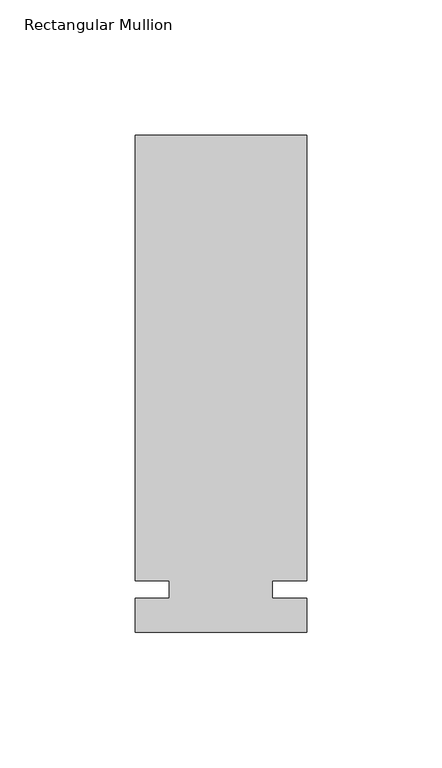
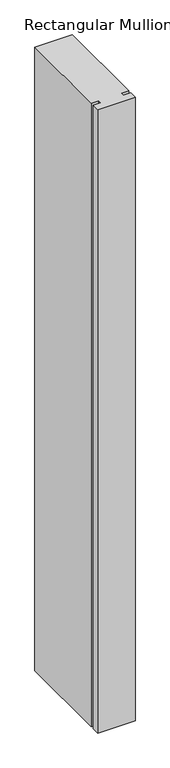
"""IFC4 building model written with IfcOpenShell, lengths in millimetres: member geometry, Rectangular Mullion."""

from ifc_helpers import new_model, si_unit, frame, origin, place, context, project, spatial, polyline, outline, extrude, source, transform, mapped, element, save


def rectangular_mullion_d01ddbaf(model_context):
    return source(origin(), model_context, "Body", "SweptSolid", [
        extrude(outline(polyline([(36.0844027, 168.275), (36.0844027, 3.175), (23.3826322, 3.175), (23.3826322, -3.175), (36.0844027, -3.175), (36.0844027, -15.875), (-27.4155973, -15.875), (-27.4155973, -3.175), (-14.7155973, -3.175), (-14.7155973, 3.175), (-27.4155973, 3.175), (-27.4155973, 168.275), (36.0844027, 168.275)])), frame((0.0, 0.0, -1117.6), z_axis=(0.0, 0.0, 1.0), x_axis=(1.0, 0.0, 0.0)), (0.0, 0.0, 1.0), 1117.6),
    ])


if __name__ == "__main__":
    model = new_model("IFC4")
    model_context = context("Model", 3, world=origin())
    ifc_project = project(units=[si_unit("LENGTHUNIT", "METRE", prefix="MILLI")], contexts=[model_context])
    site = spatial("IfcSite", under=ifc_project)
    building = spatial("IfcBuilding", under=site)
    placement = place(None, origin())
    rectangular_mullion_shape = rectangular_mullion_d01ddbaf(model_context)
    element("IfcMember", 1, ObjectType="Rectangular Mullion", at=placement, inside=building, context=model_context, shape_type="MappedRepresentation", body=[
        mapped(rectangular_mullion_shape, transform((0.0, 0.0, 0.0), x_axis=(1.0, 0.0, 0.0), y_axis=(0.0, 1.0, 0.0), z_axis=(0.0, 0.0, 1.0))),
    ])
    save(model, "model.ifc")
